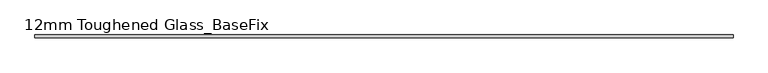
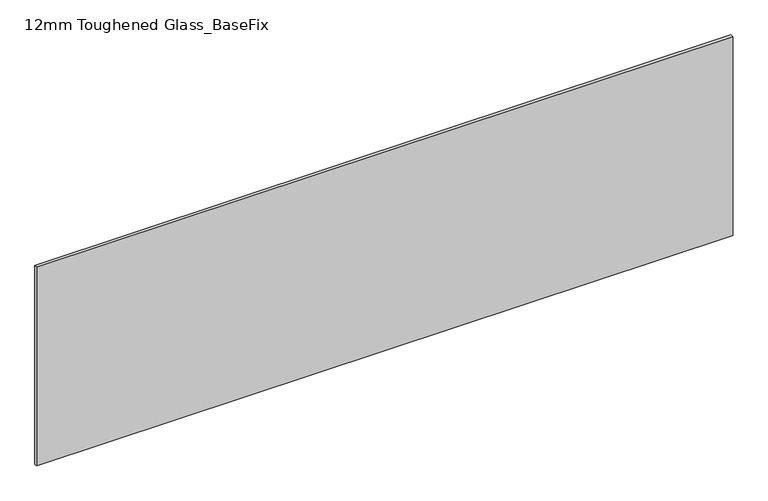
"""IFC4 building model written with IfcOpenShell, lengths in millimetres: plate geometry, 12mm Toughened Glass_BaseFix."""

from ifc_helpers import new_model, si_unit, origin, origin_with_axes, place, context, project, spatial, polyline, outline, extrude, source, transform, mapped, element, save


def plate_12mm_toughened_glass_basefix_51749d95(model_context):
    return source(origin(), model_context, "Body", "SweptSolid", [
        extrude(outline(polyline([(1420.0, 6.0), (1420.0, -6.0), (-1420.0, -6.0), (-1420.0, 6.0), (1420.0, 6.0)])), origin_with_axes(), (0.0, 0.0, 1.0), 858.0),
    ])


if __name__ == "__main__":
    model = new_model("IFC4")
    model_context = context("Model", 3, world=origin())
    ifc_project = project(units=[si_unit("LENGTHUNIT", "METRE", prefix="MILLI")], contexts=[model_context])
    site = spatial("IfcSite", under=ifc_project)
    building = spatial("IfcBuilding", under=site)
    placement = place(None, origin())
    plate_12mm_toughened_glass_basefix_shape = plate_12mm_toughened_glass_basefix_51749d95(model_context)
    element("IfcPlate", 1, ObjectType="12mm Toughened Glass_BaseFix", at=placement, inside=building, context=model_context, shape_type="MappedRepresentation", body=[
        mapped(plate_12mm_toughened_glass_basefix_shape, transform((0.0, 0.0, 0.0), x_axis=(1.0, 0.0, 0.0), y_axis=(0.0, 1.0, 0.0), z_axis=(0.0, 0.0, 1.0))),
    ])
    save(model, "model.ifc")
